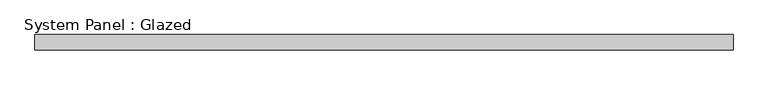
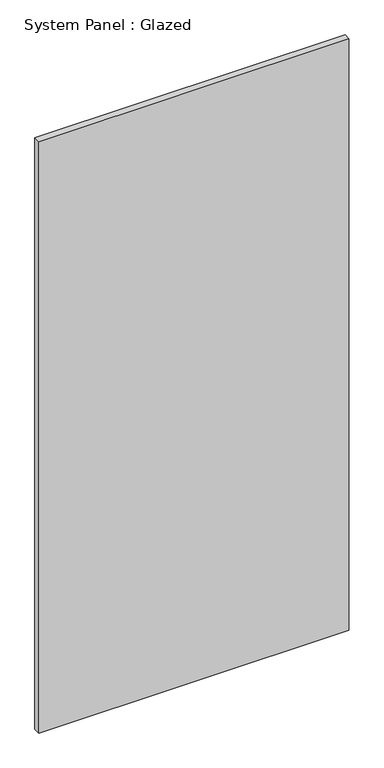
"""IFC4 building model written with IfcOpenShell, lengths in millimetres: plate geometry, System Panel : Glazed."""

from ifc_helpers import new_model, si_unit, origin, origin_with_axes, place, context, project, spatial, polyline, outline, extrude, source, transform, mapped, element, save


def system_panel_glazed_b1183410(model_context):
    return source(origin(), model_context, "Body", "SweptSolid", [
        extrude(outline(polyline([(581.025, 19.05), (-581.025, 19.05), (-581.025, 44.45), (581.025, 44.45), (581.025, 19.05)])), origin_with_axes(), (0.0, 0.0, 1.0), 2343.15),
    ])


if __name__ == "__main__":
    model = new_model("IFC4")
    model_context = context("Model", 3, world=origin())
    ifc_project = project(units=[si_unit("LENGTHUNIT", "METRE", prefix="MILLI")], contexts=[model_context])
    site = spatial("IfcSite", under=ifc_project)
    building = spatial("IfcBuilding", under=site)
    placement = place(None, origin())
    system_panel_glazed_shape = system_panel_glazed_b1183410(model_context)
    element("IfcPlate", 1, ObjectType="System Panel : Glazed", at=placement, inside=building, context=model_context, shape_type="MappedRepresentation", body=[
        mapped(system_panel_glazed_shape, transform((0.0, 0.0, 0.0), x_axis=(1.0, 0.0, 0.0), y_axis=(0.0, 1.0, 0.0), z_axis=(0.0, 0.0, 1.0))),
    ])
    save(model, "model.ifc")
